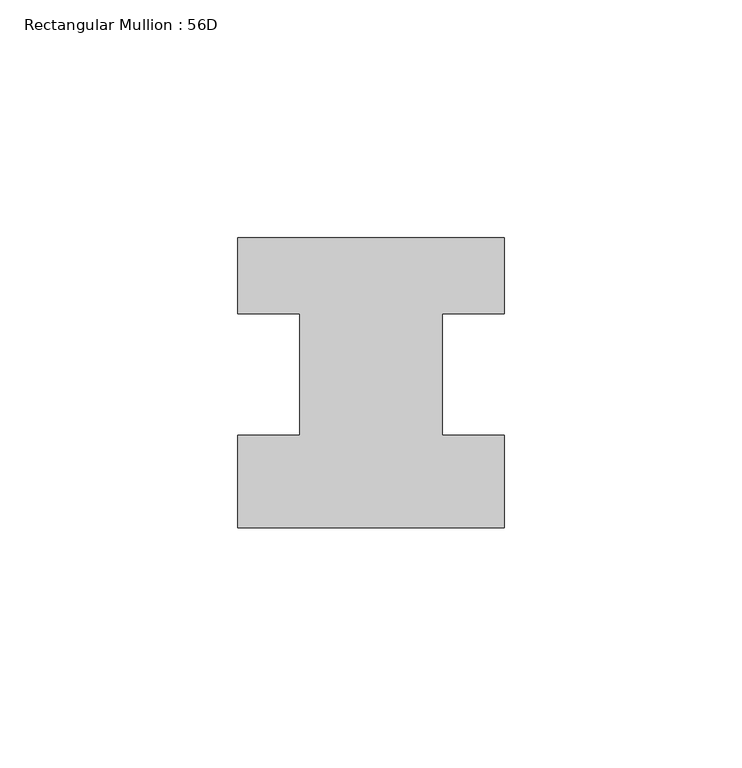
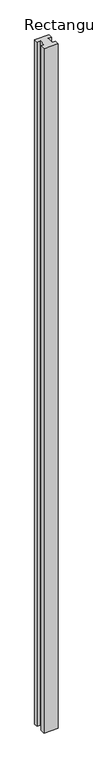
"""IFC4 building model written with IfcOpenShell, lengths in millimetres: member geometry, Rectangular Mullion : 56D."""

import ifcopenshell
import ifcopenshell.guid

model = None  # the IFC model being written
_history = None  # IfcOwnerHistory: only IFC2X3 demands one
_inside = {}  # id of a spatial element -> (the spatial element, [elements in it])
_under = {}  # id of a project, library or spatial element -> (it, [spatial elements below it])
_declared = {}  # id of a project -> (the project, [libraries it declares])
_typed = {}  # id of a type object -> (the type object, [elements of that type])
_made_of = {}  # id of a material, layer set ... -> (it, [elements and type objects made of it])


def new_model(schema):
    """Start an empty IFC model of exactly this schema.

    Asked for "IFC4X3", IfcOpenShell would pick the latest addendum, in which some entities
    have other attributes; the version numbers below select the first issue.
    IFC2X3 requires an IfcOwnerHistory on every rooted entity: one is made here for all.
    """
    global model, _history
    if schema == "IFC4X3":
        model = ifcopenshell.file(schema_version=(4, 3, 0, 0))
    else:
        model = ifcopenshell.file(schema=schema)
    _inside.clear()
    _under.clear()
    _declared.clear()
    _typed.clear()
    _made_of.clear()
    _history = None
    if model.schema == "IFC2X3":
        org = make("IfcOrganization", Name="unknown")
        user = make(
            "IfcPersonAndOrganization",
            ThePerson=make("IfcPerson", FamilyName="unknown"),
            TheOrganization=org,
        )
        app = make(
            "IfcApplication",
            ApplicationDeveloper=org,
            Version="unknown",
            ApplicationFullName="unknown",
            ApplicationIdentifier="unknown",
        )
        _history = make(
            "IfcOwnerHistory",
            OwningUser=user,
            OwningApplication=app,
            ChangeAction="ADDED",
            CreationDate=0,
        )
    return model


def make(cls, **values):
    """One entity of the class cls with the attributes given. An attribute that is None is left unset."""
    return model.create_entity(
        cls, **{name: value for name, value in values.items() if value is not None}
    )


def rooted(cls, **values):
    """An entity with a GlobalId (a new one), such as an element, a storey or a relation."""
    return make(cls, GlobalId=ifcopenshell.guid.new(), OwnerHistory=_history, **values)


def si_unit(unit_type, name, prefix=None):
    """IfcSIUnit, for example si_unit("LENGTHUNIT", "METRE", prefix="MILLI")."""
    return make("IfcSIUnit", UnitType=unit_type, Prefix=prefix, Name=name)


def assignment(units):
    """IfcUnitAssignment: the units of a project."""
    return None if units is None else make("IfcUnitAssignment", Units=units)


def point(xyz):
    """IfcCartesianPoint."""
    return None if xyz is None else make("IfcCartesianPoint", Coordinates=xyz)


def direction(xyz):
    """IfcDirection."""
    return None if xyz is None else make("IfcDirection", DirectionRatios=xyz)


def frame(location, z_axis=None, x_axis=None):
    """IfcAxis2Placement3D, a coordinate frame: its origin and axes. An axis left out is left unset."""
    return make(
        "IfcAxis2Placement3D",
        Location=point(location),
        Axis=direction(z_axis),
        RefDirection=direction(x_axis),
    )


def origin():
    """The frame at (0, 0, 0) with its axes left unset."""
    return frame((0.0, 0.0, 0.0))


def place(relative_to, where):
    """IfcLocalPlacement: puts the frame where relative to a parent placement (None: the world)."""
    return make(
        "IfcLocalPlacement", PlacementRelTo=relative_to, RelativePlacement=where
    )


def context(
    kind, dimensions, precision=None, world=None, true_north=None, identifier=None
):
    """IfcGeometricRepresentationContext, for example the 3D "Model" context."""
    return make(
        "IfcGeometricRepresentationContext",
        ContextIdentifier=identifier,
        ContextType=kind,
        CoordinateSpaceDimension=dimensions,
        Precision=precision,
        WorldCoordinateSystem=world,
        TrueNorth=true_north,
    )


def project(units=None, contexts=None):
    """IfcProject with its units and contexts."""
    return rooted(
        "IfcProject",
        Name="project",
        RepresentationContexts=contexts,
        UnitsInContext=assignment(units),
    )


def spatial(cls, under=None, at=None, **own):
    """A site, building, storey or space (cls), placed at a placement, below another one or the project."""
    s = rooted(cls, ObjectPlacement=at, **own)
    if under is not None:
        _under.setdefault(under.id(), (under, []))[1].append(s)
    return s


def polyline(points):
    """IfcPolyline through the points."""
    return make("IfcPolyline", Points=[point(p) for p in points])


def outline(outer, holes=None, kind="AREA"):
    """IfcArbitraryClosedProfileDef: a profile drawn as a closed curve; with holes, ...WithVoids."""
    if holes is None:
        return make("IfcArbitraryClosedProfileDef", ProfileType=kind, OuterCurve=outer)
    return make(
        "IfcArbitraryProfileDefWithVoids",
        ProfileType=kind,
        OuterCurve=outer,
        InnerCurves=holes,
    )


def extrude(swept, where, along, depth):
    """IfcExtrudedAreaSolid: the profile swept, set in the frame where, extruded along a direction by depth."""
    return make(
        "IfcExtrudedAreaSolid",
        SweptArea=swept,
        Position=where,
        ExtrudedDirection=direction(along),
        Depth=depth,
    )


def shape(context_of_items, identifier, shape_type, items):
    """IfcShapeRepresentation: the items that make up one representation, for example the "Body"."""
    return make(
        "IfcShapeRepresentation",
        ContextOfItems=context_of_items,
        RepresentationIdentifier=identifier,
        RepresentationType=shape_type,
        Items=items,
    )


def source(mapping_origin, context_of_items, identifier, shape_type, items):
    """IfcRepresentationMap: a shape defined once, which mapped items show again and again."""
    return make(
        "IfcRepresentationMap",
        MappingOrigin=mapping_origin,
        MappedRepresentation=shape(context_of_items, identifier, shape_type, items),
    )


def transform(
    local_origin,
    x_axis=None,
    y_axis=None,
    z_axis=None,
    scale=None,
    scale2=None,
    scale3=None,
    uniform=True,
):
    """IfcCartesianTransformationOperator3D, or its non-uniform kind. x_axis, y_axis, z_axis: its Axis1, 2, 3."""
    if uniform:
        return make(
            "IfcCartesianTransformationOperator3D",
            Axis1=direction(x_axis),
            Axis2=direction(y_axis),
            LocalOrigin=point(local_origin),
            Scale=scale,
            Axis3=direction(z_axis),
        )
    return make(
        "IfcCartesianTransformationOperator3DnonUniform",
        Axis1=direction(x_axis),
        Axis2=direction(y_axis),
        LocalOrigin=point(local_origin),
        Scale=scale,
        Axis3=direction(z_axis),
        Scale2=scale2,
        Scale3=scale3,
    )


def mapped(mapping_source, mapping_target):
    """IfcMappedItem: shows the shape of a source again, moved by a transform."""
    return make(
        "IfcMappedItem", MappingSource=mapping_source, MappingTarget=mapping_target
    )


def made_of(thing, what):
    """Note that an element or type object is made of a material, layer set ...; save() writes the relation."""
    if what is not None:
        _made_of.setdefault(what.id(), (what, []))[1].append(thing)
    return thing


def element(
    cls,
    number,
    at=None,
    inside=None,
    cuts=None,
    type_object=None,
    material=None,
    context=None,
    identifier="Body",
    shape_type=None,
    held_by="IfcProductDefinitionShape",
    body=None,
    shapes=None,
    **own,
):
    """One element of the class cls, such as IfcWall. Its Tag is "e" and its number.

    at: its placement. inside: the storey or other place that contains it. cuts: it is an
    opening in that element (IfcRelVoidsElement). A single representation is given by context,
    identifier, shape_type and body (its items); several are given by shapes. held_by: the class
    of the entity that holds the representations. save() writes the other relations.
    """
    e = rooted(cls, Tag="e%d" % number, ObjectPlacement=at, **own)
    if body is not None:
        shapes = [shape(context, identifier, shape_type, body)]
    if shapes is not None:
        e.Representation = make(held_by, Representations=shapes)
    if inside is not None:
        _inside.setdefault(inside.id(), (inside, []))[1].append(e)
    if cuts is not None:
        rooted(
            "IfcRelVoidsElement", RelatingBuildingElement=cuts, RelatedOpeningElement=e
        )
    if type_object is not None:
        _typed.setdefault(type_object.id(), (type_object, []))[1].append(e)
    return made_of(e, material)


def aggregate(whole, parts):
    """IfcRelAggregates: a whole, such as a stair, and the parts it consists of."""
    return rooted("IfcRelAggregates", RelatingObject=whole, RelatedObjects=parts)


def save(model, path):
    """Write the relations noted so far, then the file.

    IfcRelAggregates (storeys below a building ...), IfcRelContainedInSpatialStructure (elements
    in a storey), IfcRelDefinesByType, IfcRelAssociatesMaterial and IfcRelDeclares: one each for
    every whole, place, type object, material and project.
    """
    for whole, parts in _under.values():
        aggregate(whole, parts)
    for where, things in _inside.values():
        rooted(
            "IfcRelContainedInSpatialStructure",
            RelatedElements=things,
            RelatingStructure=where,
        )
    for kind, things in _typed.values():
        rooted("IfcRelDefinesByType", RelatedObjects=things, RelatingType=kind)
    for what, things in _made_of.values():
        rooted("IfcRelAssociatesMaterial", RelatedObjects=things, RelatingMaterial=what)
    for by, libraries in _declared.values():
        rooted("IfcRelDeclares", RelatingContext=by, RelatedDefinitions=libraries)
    model.write(path)


def rectangular_mullion_56d_d4d7d850(model_context):
    return source(origin(), model_context, "Body", "SweptSolid", [
        extrude(outline(polyline([(28.0, -20.0), (-28.0, -20.0), (-28.0, -0.5), (-15.0, -0.5), (-15.0, 25.0), (-28.0, 25.0), (-28.0, 41.0), (28.0, 41.0), (28.0, 25.0), (15.0, 25.0), (15.0, -0.5), (28.0, -0.5), (28.0, -20.0)])), frame((0.0, 0.0, -2800.0), z_axis=(0.0, 0.0, 1.0), x_axis=(1.0, 0.0, 0.0)), (0.0, 0.0, 1.0), 2800.0),
    ])


if __name__ == "__main__":
    model = new_model("IFC4")
    model_context = context("Model", 3, world=origin())
    ifc_project = project(units=[si_unit("LENGTHUNIT", "METRE", prefix="MILLI")], contexts=[model_context])
    site = spatial("IfcSite", under=ifc_project)
    building = spatial("IfcBuilding", under=site)
    placement = place(None, origin())
    rectangular_mullion_56d_shape = rectangular_mullion_56d_d4d7d850(model_context)
    element("IfcMember", 1, ObjectType="Rectangular Mullion : 56D", at=placement, inside=building, context=model_context, shape_type="MappedRepresentation", body=[
        mapped(rectangular_mullion_56d_shape, transform((0.0, 0.0, 0.0), x_axis=(1.0, 0.0, 0.0), y_axis=(0.0, 1.0, 0.0), z_axis=(0.0, 0.0, 1.0))),
    ])
    save(model, "model.ifc")
